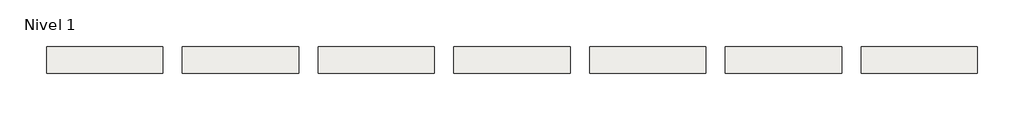
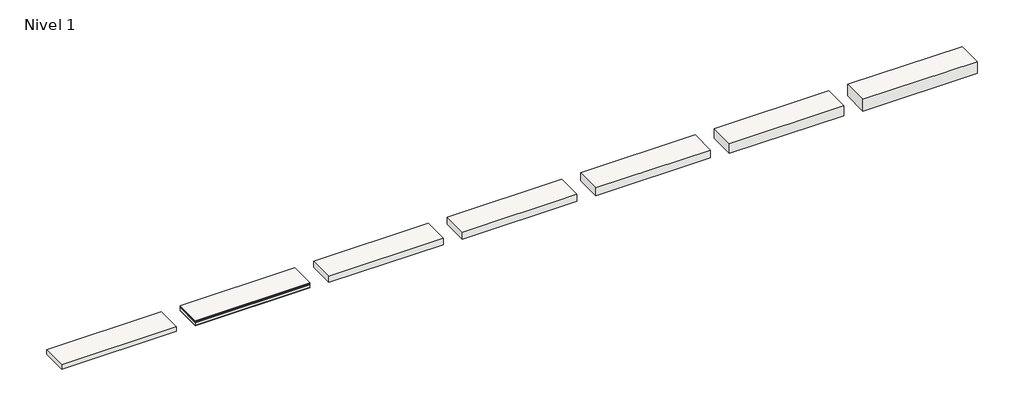
# One storey: 7 slabs.
"""IFC4 building model written with IfcOpenShell, lengths in millimetres."""

from ifc_helpers import new_model, si_unit, frame, origin, place, context, project, spatial, polyline, outline, extrude, element, save

model = new_model("IFC4")

# Units and contexts
model_context = context("Model", 3, world=origin())
ifc_project = project(units=[si_unit("LENGTHUNIT", "METRE", prefix="MILLI")], contexts=[model_context])

# Site, building, storey
site = spatial("IfcSite", under=ifc_project)
building = spatial("IfcBuilding", under=site)
storey = spatial("IfcBuildingStorey", under=building, Name="Nivel 1", Elevation=0.0)

# Slabs
placement = place(None, origin())
element("IfcSlab", 1, at=placement, inside=storey, context=model_context, shape_type="SweptSolid", body=[
    extrude(outline(polyline([(1184.4345966, -2901.6608764), (1184.4345966, -3451.6608764), (-1215.5654034, -3451.6608764), (-1215.5654034, -2901.6608764), (1184.4345966, -2901.6608764)])), frame((0.0, 0.0, -20.0), z_axis=(0.0, 0.0, 1.0), x_axis=(1.0, 0.0, 0.0)), (0.0, 0.0, 1.0), 20.0),
    extrude(outline(polyline([(1184.4345966, -2901.6608764), (1184.4345966, -3451.6608764), (-1215.5654034, -3451.6608764), (-1215.5654034, -2901.6608764), (1184.4345966, -2901.6608764)])), frame((0.0, 0.0, -30.0), z_axis=(0.0, 0.0, 1.0), x_axis=(1.0, 0.0, 0.0)), (0.0, 0.0, 1.0), 10.0),
    extrude(outline(polyline([(1184.4345966, -2901.6608764), (1184.4345966, -3451.6608764), (-1215.5654034, -3451.6608764), (-1215.5654034, -2901.6608764), (1184.4345966, -2901.6608764)])), frame((0.0, 0.0, -42.5), z_axis=(0.0, 0.0, 1.0), x_axis=(1.0, 0.0, 0.0)), (0.0, 0.0, 1.0), 12.5),
    extrude(outline(polyline([(1184.4345966, -2901.6608764), (1184.4345966, -3451.6608764), (-1215.5654034, -3451.6608764), (-1215.5654034, -2901.6608764), (1184.4345966, -2901.6608764)])), frame((0.0, 0.0, -102.5), z_axis=(0.0, 0.0, 1.0), x_axis=(1.0, 0.0, 0.0)), (0.0, 0.0, 1.0), 60.0),
    extrude(outline(polyline([(1184.4345966, -2901.6608764), (1184.4345966, -3451.6608764), (-1215.5654034, -3451.6608764), (-1215.5654034, -2901.6608764), (1184.4345966, -2901.6608764)])), frame((0.0, 0.0, -115.0), z_axis=(0.0, 0.0, 1.0), x_axis=(1.0, 0.0, 0.0)), (0.0, 0.0, 1.0), 12.5),
])
element("IfcSlab", 2, at=placement, inside=storey, context=model_context, shape_type="SweptSolid", body=[
    extrude(outline(polyline([(-1615.5654034, -2901.6608764), (-1615.5654034, -3451.6608764), (-4015.5654034, -3451.6608764), (-4015.5654034, -2901.6608764), (-1615.5654034, -2901.6608764)])), frame((0.0, 0.0, -95.0), z_axis=(0.0, 0.0, 1.0), x_axis=(1.0, 0.0, 0.0)), (0.0, 0.0, 1.0), 95.0),
])
element("IfcSlab", 3, at=placement, inside=storey, context=model_context, shape_type="SweptSolid", body=[
    extrude(outline(polyline([(3984.4345966, -2901.6608764), (3984.4345966, -3451.6608764), (1584.4345966, -3451.6608764), (1584.4345966, -2901.6608764), (3984.4345966, -2901.6608764)])), frame((0.0, 0.0, -135.0), z_axis=(0.0, 0.0, 1.0), x_axis=(1.0, 0.0, 0.0)), (0.0, 0.0, 1.0), 135.0),
])
element("IfcSlab", 4, at=placement, inside=storey, context=model_context, shape_type="SweptSolid", body=[
    extrude(outline(polyline([(6784.4345966, -2901.6608764), (6784.4345966, -3451.6608764), (4384.4345966, -3451.6608764), (4384.4345966, -2901.6608764), (6784.4345966, -2901.6608764)])), frame((0.0, 0.0, -155.0), z_axis=(0.0, 0.0, 1.0), x_axis=(1.0, 0.0, 0.0)), (0.0, 0.0, 1.0), 155.0),
])
element("IfcSlab", 5, at=placement, inside=storey, context=model_context, shape_type="SweptSolid", body=[
    extrude(outline(polyline([(9584.4345966, -2901.6608764), (9584.4345966, -3451.6608764), (7184.4345966, -3451.6608764), (7184.4345966, -2901.6608764), (9584.4345966, -2901.6608764)])), frame((0.0, 0.0, -175.0), z_axis=(0.0, 0.0, 1.0), x_axis=(1.0, 0.0, 0.0)), (0.0, 0.0, 1.0), 175.0),
])
element("IfcSlab", 6, at=placement, inside=storey, context=model_context, shape_type="SweptSolid", body=[
    extrude(outline(polyline([(12384.4345966, -2901.6608764), (12384.4345966, -3451.6608764), (9984.4345966, -3451.6608764), (9984.4345966, -2901.6608764), (12384.4345966, -2901.6608764)])), frame((0.0, 0.0, -215.0), z_axis=(0.0, 0.0, 1.0), x_axis=(1.0, 0.0, 0.0)), (0.0, 0.0, 1.0), 215.0),
])
element("IfcSlab", 7, at=placement, inside=storey, context=model_context, shape_type="SweptSolid", body=[
    extrude(outline(polyline([(15184.4345966, -2901.6608764), (15184.4345966, -3451.6608764), (12784.4345966, -3451.6608764), (12784.4345966, -2901.6608764), (15184.4345966, -2901.6608764)])), frame((0.0, 0.0, -255.0), z_axis=(0.0, 0.0, 1.0), x_axis=(1.0, 0.0, 0.0)), (0.0, 0.0, 1.0), 255.0),
])

save(model, "model.ifc")
